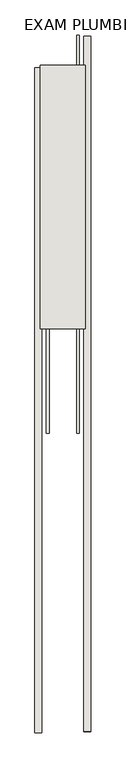
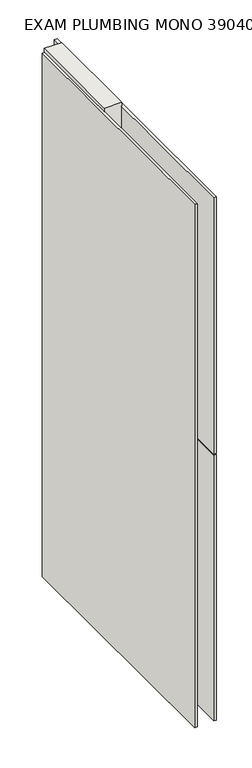
"""IFC4 building model written with IfcOpenShell, lengths in millimetres: wall geometry, EXAM PLUMBING MONO 390400 : EXAM PLUMBING MONO 390400."""

from ifc_helpers import new_model, si_unit, frame, origin, place, context, project, spatial, polyline, outline, extrude, source, transform, mapped, element, save


def exam_plumbing_mono_390400_exam_plumbing_mono_390400_da4d5196(model_context):
    return source(origin(), model_context, "Body", "SweptSolid", [
        extrude(outline(polyline([(78033.282211, -40264.5016908), (78033.282211, -40267.0416908), (78030.742211, -40267.0416908), (78030.742211, -40264.5016908), (78033.282211, -40264.5016908)])), frame((0.0, 0.0, 4419.6), z_axis=(0.0, 0.0, 1.0), x_axis=(1.0, 0.0, 0.0)), (0.0, 0.0, 1.0), 2.54),
        extrude(outline(polyline([(77981.212211, -41481.5165288), (77981.212211, -40268.9664012), (77993.912211, -40268.9664012), (77993.912211, -41481.5165288), (77981.212211, -41481.5165288)])), frame((0.0, 0.0, 4445.0), z_axis=(0.0, 0.0, 1.0), x_axis=(1.0, 0.0, 0.0)), (0.0, 0.0, 1.0), 2545.0498756),
        extrude(outline(polyline([(78082.812211, -40211.2034992), (78082.812211, -41479.0536432), (78070.112211, -41479.0536432), (78070.112211, -40211.2034992), (78082.812211, -40211.2034992)])), frame((0.0, 0.0, 4445.0), z_axis=(0.0, 0.0, 1.0), x_axis=(1.0, 0.0, 0.0)), (0.0, 0.0, 1.0), 1293.400004),
        extrude(outline(polyline([(78082.812211, -40211.2034992), (78082.812211, -41479.0536432), (78070.112211, -41479.0536432), (78070.112211, -40211.2034992), (78082.812211, -40211.2034992)])), frame((0.0, 0.0, 5742.399869), z_axis=(0.0, 0.0, 1.0), x_axis=(1.0, 0.0, 0.0)), (0.0, 0.0, 1.0), 1247.649905),
        extrude(outline(polyline([(78006.9284664, -40264.5128414), (78006.9284664, -40934.9463494), (78001.849711, -40934.9463494), (78001.849711, -40264.5128414), (78006.9284664, -40264.5128414)])), frame((0.0, 0.0, 4418.6602), z_axis=(0.0, 0.0, 1.0), x_axis=(1.0, 0.0, 0.0)), (0.0, 0.0, 1.0), 47.625),
        extrude(outline(polyline([(78006.9284664, -40264.5128414), (78006.9284664, -40934.9463494), (78001.849711, -40934.9463494), (78001.849711, -40264.5128414), (78006.9284664, -40264.5128414)])), frame((0.0, 0.0, 4418.6602), z_axis=(0.0, 0.0, 1.0), x_axis=(1.0, 0.0, 0.0)), (0.0, 0.0, 1.0), 47.625),
        extrude(outline(polyline([(78057.0959556, -40934.9463494), (78057.0959556, -40209.189076), (78062.174711, -40209.189076), (78062.174711, -40934.9463494), (78057.0959556, -40934.9463494)])), frame((0.0, 0.0, 4418.6602), z_axis=(0.0, 0.0, 1.0), x_axis=(1.0, 0.0, 0.0)), (0.0, 0.0, 1.0), 47.625),
        extrude(outline(polyline([(78057.0959556, -40934.9463494), (78057.0959556, -40209.189076), (78062.174711, -40209.189076), (78062.174711, -40934.9463494), (78057.0959556, -40934.9463494)])), frame((0.0, 0.0, 4418.6602), z_axis=(0.0, 0.0, 1.0), x_axis=(1.0, 0.0, 0.0)), (0.0, 0.0, 1.0), 47.625),
        extrude(outline(polyline([(77991.3573266, -40264.5128414), (78072.6670954, -40264.5128414), (78072.6670954, -40744.4463494), (77991.3573266, -40744.4463494), (77991.3573266, -40264.5128414)])), frame((0.0, 0.0, 4445.0), z_axis=(0.0, 0.0, 1.0), x_axis=(1.0, 0.0, 0.0)), (0.0, 0.0, 1.0), 2562.4536762),
    ])


if __name__ == "__main__":
    model = new_model("IFC4")
    model_context = context("Model", 3, world=origin())
    ifc_project = project(units=[si_unit("LENGTHUNIT", "METRE", prefix="MILLI")], contexts=[model_context])
    site = spatial("IfcSite", under=ifc_project)
    building = spatial("IfcBuilding", under=site)
    placement = place(None, origin())
    exam_plumbing_mono_390400_exam_plumbing_mono_390400_shape = exam_plumbing_mono_390400_exam_plumbing_mono_390400_da4d5196(model_context)
    element("IfcWall", 1, ObjectType="EXAM PLUMBING MONO 390400 : EXAM PLUMBING MONO 390400", at=placement, inside=building, context=model_context, shape_type="MappedRepresentation", body=[
        mapped(exam_plumbing_mono_390400_exam_plumbing_mono_390400_shape, transform((0.0, 0.0, 0.0), x_axis=(1.0, 0.0, 0.0), y_axis=(0.0, 1.0, 0.0), z_axis=(0.0, 0.0, 1.0))),
    ])
    save(model, "model.ifc")
